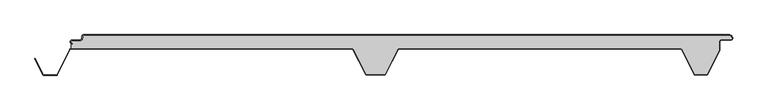
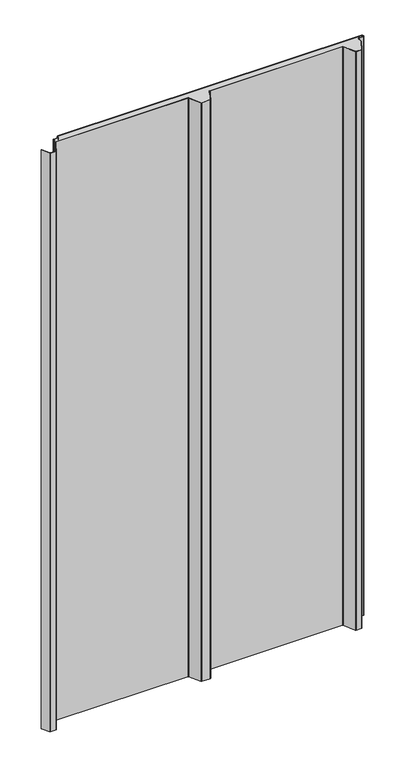
"""IFC4 building model written with IfcOpenShell, lengths in millimetres: proxy geometry."""

import ifcopenshell
import ifcopenshell.guid

model = None  # the IFC model being written
_history = None  # IfcOwnerHistory: only IFC2X3 demands one
_inside = {}  # id of a spatial element -> (the spatial element, [elements in it])
_under = {}  # id of a project, library or spatial element -> (it, [spatial elements below it])
_declared = {}  # id of a project -> (the project, [libraries it declares])
_typed = {}  # id of a type object -> (the type object, [elements of that type])
_made_of = {}  # id of a material, layer set ... -> (it, [elements and type objects made of it])


def new_model(schema):
    """Start an empty IFC model of exactly this schema.

    Asked for "IFC4X3", IfcOpenShell would pick the latest addendum, in which some entities
    have other attributes; the version numbers below select the first issue.
    IFC2X3 requires an IfcOwnerHistory on every rooted entity: one is made here for all.
    """
    global model, _history
    if schema == "IFC4X3":
        model = ifcopenshell.file(schema_version=(4, 3, 0, 0))
    else:
        model = ifcopenshell.file(schema=schema)
    _inside.clear()
    _under.clear()
    _declared.clear()
    _typed.clear()
    _made_of.clear()
    _history = None
    if model.schema == "IFC2X3":
        org = make("IfcOrganization", Name="unknown")
        user = make(
            "IfcPersonAndOrganization",
            ThePerson=make("IfcPerson", FamilyName="unknown"),
            TheOrganization=org,
        )
        app = make(
            "IfcApplication",
            ApplicationDeveloper=org,
            Version="unknown",
            ApplicationFullName="unknown",
            ApplicationIdentifier="unknown",
        )
        _history = make(
            "IfcOwnerHistory",
            OwningUser=user,
            OwningApplication=app,
            ChangeAction="ADDED",
            CreationDate=0,
        )
    return model


def make(cls, **values):
    """One entity of the class cls with the attributes given. An attribute that is None is left unset."""
    return model.create_entity(
        cls, **{name: value for name, value in values.items() if value is not None}
    )


def rooted(cls, **values):
    """An entity with a GlobalId (a new one), such as an element, a storey or a relation."""
    return make(cls, GlobalId=ifcopenshell.guid.new(), OwnerHistory=_history, **values)


def si_unit(unit_type, name, prefix=None):
    """IfcSIUnit, for example si_unit("LENGTHUNIT", "METRE", prefix="MILLI")."""
    return make("IfcSIUnit", UnitType=unit_type, Prefix=prefix, Name=name)


def assignment(units):
    """IfcUnitAssignment: the units of a project."""
    return None if units is None else make("IfcUnitAssignment", Units=units)


def point(xyz):
    """IfcCartesianPoint."""
    return None if xyz is None else make("IfcCartesianPoint", Coordinates=xyz)


def direction(xyz):
    """IfcDirection."""
    return None if xyz is None else make("IfcDirection", DirectionRatios=xyz)


def frame(location, z_axis=None, x_axis=None):
    """IfcAxis2Placement3D, a coordinate frame: its origin and axes. An axis left out is left unset."""
    return make(
        "IfcAxis2Placement3D",
        Location=point(location),
        Axis=direction(z_axis),
        RefDirection=direction(x_axis),
    )


def frame_2d(location, x_axis=None):
    """IfcAxis2Placement2D, a coordinate frame in the plane: its origin and x axis."""
    return make(
        "IfcAxis2Placement2D", Location=point(location), RefDirection=direction(x_axis)
    )


def origin():
    """The frame at (0, 0, 0) with its axes left unset."""
    return frame((0.0, 0.0, 0.0))


def origin_with_axes():
    """The frame at (0, 0, 0) with the z axis (0, 0, 1) and the x axis (1, 0, 0) written out."""
    return frame((0.0, 0.0, 0.0), z_axis=(0.0, 0.0, 1.0), x_axis=(1.0, 0.0, 0.0))


def place(relative_to, where):
    """IfcLocalPlacement: puts the frame where relative to a parent placement (None: the world)."""
    return make(
        "IfcLocalPlacement", PlacementRelTo=relative_to, RelativePlacement=where
    )


def context(
    kind, dimensions, precision=None, world=None, true_north=None, identifier=None
):
    """IfcGeometricRepresentationContext, for example the 3D "Model" context."""
    return make(
        "IfcGeometricRepresentationContext",
        ContextIdentifier=identifier,
        ContextType=kind,
        CoordinateSpaceDimension=dimensions,
        Precision=precision,
        WorldCoordinateSystem=world,
        TrueNorth=true_north,
    )


def project(units=None, contexts=None):
    """IfcProject with its units and contexts."""
    return rooted(
        "IfcProject",
        Name="project",
        RepresentationContexts=contexts,
        UnitsInContext=assignment(units),
    )


def spatial(cls, under=None, at=None, **own):
    """A site, building, storey or space (cls), placed at a placement, below another one or the project."""
    s = rooted(cls, ObjectPlacement=at, **own)
    if under is not None:
        _under.setdefault(under.id(), (under, []))[1].append(s)
    return s


def polyline(points):
    """IfcPolyline through the points."""
    return make("IfcPolyline", Points=[point(p) for p in points])


def circle_curve(where, radius):
    """IfcCircle in the frame where."""
    return make("IfcCircle", Position=where, Radius=radius)


def trimmed(basis, trim1, trim2, sense, master):
    """IfcTrimmedCurve: the piece of a basis curve between two trims."""
    return make(
        "IfcTrimmedCurve",
        BasisCurve=basis,
        Trim1=trim1,
        Trim2=trim2,
        SenseAgreement=sense,
        MasterRepresentation=master,
    )


def segment(curve, same_sense, transition):
    """IfcCompositeCurveSegment."""
    return make(
        "IfcCompositeCurveSegment",
        Transition=transition,
        SameSense=same_sense,
        ParentCurve=curve,
    )


def composite_curve(segments, self_intersect=None):
    """IfcCompositeCurve: segments joined end to end."""
    return make("IfcCompositeCurve", Segments=segments, SelfIntersect=self_intersect)


def outline(outer, holes=None, kind="AREA"):
    """IfcArbitraryClosedProfileDef: a profile drawn as a closed curve; with holes, ...WithVoids."""
    if holes is None:
        return make("IfcArbitraryClosedProfileDef", ProfileType=kind, OuterCurve=outer)
    return make(
        "IfcArbitraryProfileDefWithVoids",
        ProfileType=kind,
        OuterCurve=outer,
        InnerCurves=holes,
    )


def extrude(swept, where, along, depth):
    """IfcExtrudedAreaSolid: the profile swept, set in the frame where, extruded along a direction by depth."""
    return make(
        "IfcExtrudedAreaSolid",
        SweptArea=swept,
        Position=where,
        ExtrudedDirection=direction(along),
        Depth=depth,
    )


def shape(context_of_items, identifier, shape_type, items):
    """IfcShapeRepresentation: the items that make up one representation, for example the "Body"."""
    return make(
        "IfcShapeRepresentation",
        ContextOfItems=context_of_items,
        RepresentationIdentifier=identifier,
        RepresentationType=shape_type,
        Items=items,
    )


def source(mapping_origin, context_of_items, identifier, shape_type, items):
    """IfcRepresentationMap: a shape defined once, which mapped items show again and again."""
    return make(
        "IfcRepresentationMap",
        MappingOrigin=mapping_origin,
        MappedRepresentation=shape(context_of_items, identifier, shape_type, items),
    )


def transform(
    local_origin,
    x_axis=None,
    y_axis=None,
    z_axis=None,
    scale=None,
    scale2=None,
    scale3=None,
    uniform=True,
):
    """IfcCartesianTransformationOperator3D, or its non-uniform kind. x_axis, y_axis, z_axis: its Axis1, 2, 3."""
    if uniform:
        return make(
            "IfcCartesianTransformationOperator3D",
            Axis1=direction(x_axis),
            Axis2=direction(y_axis),
            LocalOrigin=point(local_origin),
            Scale=scale,
            Axis3=direction(z_axis),
        )
    return make(
        "IfcCartesianTransformationOperator3DnonUniform",
        Axis1=direction(x_axis),
        Axis2=direction(y_axis),
        LocalOrigin=point(local_origin),
        Scale=scale,
        Axis3=direction(z_axis),
        Scale2=scale2,
        Scale3=scale3,
    )


def mapped(mapping_source, mapping_target):
    """IfcMappedItem: shows the shape of a source again, moved by a transform."""
    return make(
        "IfcMappedItem", MappingSource=mapping_source, MappingTarget=mapping_target
    )


def made_of(thing, what):
    """Note that an element or type object is made of a material, layer set ...; save() writes the relation."""
    if what is not None:
        _made_of.setdefault(what.id(), (what, []))[1].append(thing)
    return thing


def element(
    cls,
    number,
    at=None,
    inside=None,
    cuts=None,
    type_object=None,
    material=None,
    context=None,
    identifier="Body",
    shape_type=None,
    held_by="IfcProductDefinitionShape",
    body=None,
    shapes=None,
    **own,
):
    """One element of the class cls, such as IfcWall. Its Tag is "e" and its number.

    at: its placement. inside: the storey or other place that contains it. cuts: it is an
    opening in that element (IfcRelVoidsElement). A single representation is given by context,
    identifier, shape_type and body (its items); several are given by shapes. held_by: the class
    of the entity that holds the representations. save() writes the other relations.
    """
    e = rooted(cls, Tag="e%d" % number, ObjectPlacement=at, **own)
    if body is not None:
        shapes = [shape(context, identifier, shape_type, body)]
    if shapes is not None:
        e.Representation = make(held_by, Representations=shapes)
    if inside is not None:
        _inside.setdefault(inside.id(), (inside, []))[1].append(e)
    if cuts is not None:
        rooted(
            "IfcRelVoidsElement", RelatingBuildingElement=cuts, RelatedOpeningElement=e
        )
    if type_object is not None:
        _typed.setdefault(type_object.id(), (type_object, []))[1].append(e)
    return made_of(e, material)


def aggregate(whole, parts):
    """IfcRelAggregates: a whole, such as a stair, and the parts it consists of."""
    return rooted("IfcRelAggregates", RelatingObject=whole, RelatedObjects=parts)


def save(model, path):
    """Write the relations noted so far, then the file.

    IfcRelAggregates (storeys below a building ...), IfcRelContainedInSpatialStructure (elements
    in a storey), IfcRelDefinesByType, IfcRelAssociatesMaterial and IfcRelDeclares: one each for
    every whole, place, type object, material and project.
    """
    for whole, parts in _under.values():
        aggregate(whole, parts)
    for where, things in _inside.values():
        rooted(
            "IfcRelContainedInSpatialStructure",
            RelatedElements=things,
            RelatingStructure=where,
        )
    for kind, things in _typed.values():
        rooted("IfcRelDefinesByType", RelatedObjects=things, RelatingType=kind)
    for what, things in _made_of.values():
        rooted("IfcRelAssociatesMaterial", RelatedObjects=things, RelatingMaterial=what)
    for by, libraries in _declared.values():
        rooted("IfcRelDeclares", RelatingContext=by, RelatedDefinitions=libraries)
    model.write(path)


def generic_models_8b5205a0(model_context):
    return source(origin(), model_context, "Body", "SweptSolid", [
        extrude(outline(composite_curve([segment(polyline([(548.7649646, -5.5), (547.9649646, -5.5)]), True, "CONTINUOUS"), segment(trimmed(circle_curve(frame_2d((543.2649646, -5.5)), 4.7), [point((547.9649646, -5.5))], [point((543.2649646, -0.8))], True, "CARTESIAN"), True, "CONTINUOUS"), segment(polyline([(543.2649646, -0.8), (-448.7436881, -0.8)]), True, "CONTINUOUS"), segment(trimmed(circle_curve(frame_2d((-448.7436881, -2.5)), 1.7), [point((-448.7436881, -0.8))], [point((-450.4436881, -2.5))], True, "CARTESIAN"), True, "CONTINUOUS"), segment(polyline([(-450.4436881, -2.5), (-450.4436881, -5.5)]), True, "CONTINUOUS"), segment(trimmed(circle_curve(frame_2d((-453.7436881, -5.5)), 3.3), [point((-450.4436881, -5.5))], [point((-453.7436881, -8.8))], False, "CARTESIAN"), True, "CONTINUOUS"), segment(polyline([(-453.7436881, -8.8), (-466.2436881, -8.8)]), True, "CONTINUOUS"), segment(trimmed(circle_curve(frame_2d((-466.2436881, -11.0)), 2.2), [point((-466.2436881, -8.8))], [point((-466.2436881, -13.2))], True, "CARTESIAN"), True, "CONTINUOUS"), segment(polyline([(-466.2436881, -13.2), (-466.2436881, -14.0)]), True, "CONTINUOUS"), segment(trimmed(circle_curve(frame_2d((-466.2436881, -11.0)), 3.0), [point((-466.2436881, -14.0))], [point((-466.2436881, -8.0))], False, "CARTESIAN"), True, "CONTINUOUS"), segment(polyline([(-466.2436881, -8.0), (-453.7436881, -8.0)]), True, "CONTINUOUS"), segment(trimmed(circle_curve(frame_2d((-453.7436881, -5.5)), 2.5), [point((-453.7436881, -8.0))], [point((-451.2436881, -5.5))], True, "CARTESIAN"), True, "CONTINUOUS"), segment(polyline([(-451.2436881, -5.5), (-451.2436881, -2.5)]), True, "CONTINUOUS"), segment(trimmed(circle_curve(frame_2d((-448.7436881, -2.5)), 2.5), [point((-451.2436881, -2.5))], [point((-448.7436881, 0.0))], False, "CARTESIAN"), True, "CONTINUOUS"), segment(polyline([(-448.7436881, 0.0), (543.2649646, 0.0)]), True, "CONTINUOUS"), segment(trimmed(circle_curve(frame_2d((543.2649646, -5.5)), 5.5), [point((543.2649646, 0.0))], [point((548.7649646, -5.5))], False, "CARTESIAN"), True, "CONTINUOUS")], self_intersect=False)), origin_with_axes(), (0.0, 0.0, 1.0), 2000.0),
        extrude(outline(composite_curve([segment(trimmed(circle_curve(frame_2d((-466.2436881, -11.0)), 2.2), [point((-466.2436881, -13.2))], [point((-466.2436881, -8.8))], False, "CARTESIAN"), True, "CONTINUOUS"), segment(polyline([(-466.2436881, -8.8), (-453.7436881, -8.8)]), True, "CONTINUOUS"), segment(trimmed(circle_curve(frame_2d((-453.7436881, -5.5)), 3.3), [point((-453.7436881, -8.8))], [point((-450.4436881, -5.5))], True, "CARTESIAN"), True, "CONTINUOUS"), segment(polyline([(-450.4436881, -5.5), (-450.4436881, -2.5)]), True, "CONTINUOUS"), segment(trimmed(circle_curve(frame_2d((-448.7436881, -2.5)), 1.7), [point((-450.4436881, -2.5))], [point((-448.7436881, -0.8))], False, "CARTESIAN"), True, "CONTINUOUS"), segment(polyline([(-448.7436881, -0.8), (543.2649646, -0.8)]), True, "CONTINUOUS"), segment(trimmed(circle_curve(frame_2d((543.2649646, -5.5)), 4.7), [point((543.2649646, -0.8))], [point((547.9649646, -5.5))], False, "CARTESIAN"), True, "CONTINUOUS"), segment(trimmed(circle_curve(frame_2d((546.2649646, -5.5)), 1.7), [point((547.9649646, -5.5))], [point((546.2649646, -7.2))], False, "CARTESIAN"), True, "CONTINUOUS"), segment(polyline([(546.2649646, -7.2), (532.2649646, -7.2)]), True, "CONTINUOUS"), segment(trimmed(circle_curve(frame_2d((532.2649646, -11.5)), 4.3), [point((532.2649646, -7.2))], [point((527.9649646, -11.5))], True, "CARTESIAN"), True, "CONTINUOUS"), segment(polyline([(527.9649646, -11.5), (527.9649646, -24.2845037), (509.9197036, -60.420139)]), True, "CONTINUOUS"), segment(trimmed(circle_curve(frame_2d((508.5777279, -59.7499888)), 1.5), [point((509.9197036, -60.420139))], [point((508.5777279, -61.2499888))], False, "CARTESIAN"), True, "CONTINUOUS"), segment(polyline([(508.5777279, -61.2499888), (491.4395777, -61.2499888)]), True, "CONTINUOUS"), segment(trimmed(circle_curve(frame_2d((491.4395777, -59.7499888)), 1.5), [point((491.4395777, -61.2499888))], [point((490.097602, -60.420139))], False, "CARTESIAN"), True, "CONTINUOUS"), segment(polyline([(490.097602, -60.420139), (471.3684498, -22.9150118)]), True, "CONTINUOUS"), segment(trimmed(circle_curve(frame_2d((468.5950334, -24.2999888)), 3.1), [point((471.3684498, -22.9150118))], [point((468.5950334, -21.1999888))], True, "CARTESIAN"), True, "CONTINUOUS"), segment(polyline([(468.5950334, -21.1999888), (36.4222721, -21.1999888)]), True, "CONTINUOUS"), segment(trimmed(circle_curve(frame_2d((36.4222721, -24.2999888)), 3.1), [point((36.4222721, -21.1999888))], [point((33.6488557, -22.9150118))], True, "CARTESIAN"), True, "CONTINUOUS"), segment(polyline([(33.6488557, -22.9150118), (14.9197036, -60.420139)]), True, "CONTINUOUS"), segment(trimmed(circle_curve(frame_2d((13.5777279, -59.7499888)), 1.5), [point((14.9197036, -60.420139))], [point((13.5777279, -61.2499888))], False, "CARTESIAN"), True, "CONTINUOUS"), segment(polyline([(13.5777279, -61.2499888), (-13.5777279, -61.2499888)]), True, "CONTINUOUS"), segment(trimmed(circle_curve(frame_2d((-13.5777279, -59.7499888)), 1.5), [point((-13.5777279, -61.2499888))], [point((-14.9197036, -60.420139))], False, "CARTESIAN"), True, "CONTINUOUS"), segment(polyline([(-14.9197036, -60.420139), (-33.6488557, -22.9150118)]), True, "CONTINUOUS"), segment(trimmed(circle_curve(frame_2d((-36.4222721, -24.2999888)), 3.1), [point((-33.6488557, -22.9150118))], [point((-36.4222721, -21.1999888))], True, "CARTESIAN"), True, "CONTINUOUS"), segment(polyline([(-36.4222721, -21.1999888), (-467.612692, -21.1999888), (-467.612692, -13.6694247)]), True, "CONTINUOUS"), segment(trimmed(circle_curve(frame_2d((-466.2436881, -11.0)), 3.0), [point((-467.612692, -13.6694247))], [point((-466.2436881, -14.0))], True, "CARTESIAN"), True, "CONTINUOUS"), segment(polyline([(-466.2436881, -14.0), (-466.2436881, -13.2)]), True, "CONTINUOUS")], self_intersect=False)), origin_with_axes(), (0.0, 0.0, 1.0), 2000.0),
        extrude(outline(composite_curve([segment(polyline([(-523.5365904, -36.9174383), (-522.82087, -36.5600249), (-510.4107041, -61.411382)]), True, "CONTINUOUS"), segment(trimmed(circle_curve(frame_2d((-509.0687284, -60.7412319)), 1.5), [point((-510.4107041, -61.411382))], [point((-509.0687284, -62.2412319))], True, "CARTESIAN"), True, "CONTINUOUS"), segment(polyline([(-509.0687284, -62.2412319), (-490.9312716, -62.2412319)]), True, "CONTINUOUS"), segment(trimmed(circle_curve(frame_2d((-490.9312716, -60.7412319)), 1.5), [point((-490.9312716, -62.2412319))], [point((-489.5890038, -61.4107968))], True, "CARTESIAN"), True, "CONTINUOUS"), segment(polyline([(-489.5890038, -61.4107968), (-470.3867121, -22.9162213)]), True, "CONTINUOUS"), segment(trimmed(circle_curve(frame_2d((-467.612692, -24.2999888)), 3.1), [point((-470.3867121, -22.9162213))], [point((-467.612692, -21.1999888))], False, "CARTESIAN"), True, "CONTINUOUS"), segment(polyline([(-467.612692, -21.1999888), (-36.4222721, -21.1999888)]), True, "CONTINUOUS"), segment(trimmed(circle_curve(frame_2d((-36.4222721, -24.2999888)), 3.1), [point((-36.4222721, -21.1999888))], [point((-33.6488557, -22.9150118))], False, "CARTESIAN"), True, "CONTINUOUS"), segment(polyline([(-33.6488557, -22.9150118), (-14.9197036, -60.420139)]), True, "CONTINUOUS"), segment(trimmed(circle_curve(frame_2d((-13.5777279, -59.7499888)), 1.5), [point((-14.9197036, -60.420139))], [point((-13.5777279, -61.2499888))], True, "CARTESIAN"), True, "CONTINUOUS"), segment(polyline([(-13.5777279, -61.2499888), (13.5777279, -61.2499888)]), True, "CONTINUOUS"), segment(trimmed(circle_curve(frame_2d((13.5777279, -59.7499888)), 1.5), [point((13.5777279, -61.2499888))], [point((14.9197036, -60.420139))], True, "CARTESIAN"), True, "CONTINUOUS"), segment(polyline([(14.9197036, -60.420139), (33.6488557, -22.9150118)]), True, "CONTINUOUS"), segment(trimmed(circle_curve(frame_2d((36.4222721, -24.2999888)), 3.1), [point((33.6488557, -22.9150118))], [point((36.4222721, -21.1999888))], False, "CARTESIAN"), True, "CONTINUOUS"), segment(polyline([(36.4222721, -21.1999888), (468.5950334, -21.1999888)]), True, "CONTINUOUS"), segment(trimmed(circle_curve(frame_2d((468.5950334, -24.2999888)), 3.1), [point((468.5950334, -21.1999888))], [point((471.3684498, -22.9150118))], False, "CARTESIAN"), True, "CONTINUOUS"), segment(polyline([(471.3684498, -22.9150118), (490.097602, -60.420139)]), True, "CONTINUOUS"), segment(trimmed(circle_curve(frame_2d((491.4395777, -59.7499888)), 1.5), [point((490.097602, -60.420139))], [point((491.4395777, -61.2499888))], True, "CARTESIAN"), True, "CONTINUOUS"), segment(polyline([(491.4395777, -61.2499888), (508.5777279, -61.2499888)]), True, "CONTINUOUS"), segment(trimmed(circle_curve(frame_2d((508.5777279, -59.7499888)), 1.5), [point((508.5777279, -61.2499888))], [point((509.9197036, -60.420139))], True, "CARTESIAN"), True, "CONTINUOUS"), segment(polyline([(509.9197036, -60.420139), (527.9649646, -24.2845037), (527.9649646, -11.5)]), True, "CONTINUOUS"), segment(trimmed(circle_curve(frame_2d((532.2649646, -11.5)), 4.3), [point((527.9649646, -11.5))], [point((532.2649646, -7.2))], False, "CARTESIAN"), True, "CONTINUOUS"), segment(polyline([(532.2649646, -7.2), (546.2649646, -7.2)]), True, "CONTINUOUS"), segment(trimmed(circle_curve(frame_2d((546.2649646, -5.5)), 1.7), [point((546.2649646, -7.2))], [point((547.9649646, -5.5))], True, "CARTESIAN"), True, "CONTINUOUS"), segment(polyline([(547.9649646, -5.5), (548.7649646, -5.5)]), True, "CONTINUOUS"), segment(trimmed(circle_curve(frame_2d((546.2649646, -5.5)), 2.5), [point((548.7649646, -5.5))], [point((546.2649646, -8.0))], False, "CARTESIAN"), True, "CONTINUOUS"), segment(polyline([(546.2649646, -8.0), (532.2649646, -8.0)]), True, "CONTINUOUS"), segment(trimmed(circle_curve(frame_2d((532.2649646, -11.5)), 3.5), [point((532.2649646, -8.0))], [point((528.7649646, -11.5))], True, "CARTESIAN"), True, "CONTINUOUS"), segment(polyline([(528.7649646, -11.5), (528.7649646, -24.4731472), (510.6354239, -60.7775524)]), True, "CONTINUOUS"), segment(trimmed(circle_curve(frame_2d((508.5777279, -59.7499888)), 2.3), [point((510.6354239, -60.7775524))], [point((508.5777279, -62.0499888))], False, "CARTESIAN"), True, "CONTINUOUS"), segment(polyline([(508.5777279, -62.0499888), (491.4395777, -62.0499888)]), True, "CONTINUOUS"), segment(trimmed(circle_curve(frame_2d((491.4395777, -59.7499888)), 2.3), [point((491.4395777, -62.0499888))], [point((489.3818816, -60.7775524))], False, "CARTESIAN"), True, "CONTINUOUS"), segment(polyline([(489.3818816, -60.7775524), (470.6527295, -23.2724252)]), True, "CONTINUOUS"), segment(trimmed(circle_curve(frame_2d((468.5950334, -24.2999888)), 2.3), [point((470.6527295, -23.2724252))], [point((468.5950334, -21.9999888))], True, "CARTESIAN"), True, "CONTINUOUS"), segment(polyline([(468.5950334, -21.9999888), (36.4222721, -21.9999888)]), True, "CONTINUOUS"), segment(trimmed(circle_curve(frame_2d((36.4222721, -24.2999888)), 2.3), [point((36.4222721, -21.9999888))], [point((34.3645761, -23.2724252))], True, "CARTESIAN"), True, "CONTINUOUS"), segment(polyline([(34.3645761, -23.2724252), (15.6354239, -60.7775524)]), True, "CONTINUOUS"), segment(trimmed(circle_curve(frame_2d((13.5777279, -59.7499888)), 2.3), [point((15.6354239, -60.7775524))], [point((13.5777279, -62.0499888))], False, "CARTESIAN"), True, "CONTINUOUS"), segment(polyline([(13.5777279, -62.0499888), (-13.5777279, -62.0499888)]), True, "CONTINUOUS"), segment(trimmed(circle_curve(frame_2d((-13.5777279, -59.7499888)), 2.3), [point((-13.5777279, -62.0499888))], [point((-15.6354239, -60.7775524))], False, "CARTESIAN"), True, "CONTINUOUS"), segment(polyline([(-15.6354239, -60.7775524), (-34.3645761, -23.2724252)]), True, "CONTINUOUS"), segment(trimmed(circle_curve(frame_2d((-36.4222721, -24.2999888)), 2.3), [point((-34.3645761, -23.2724252))], [point((-36.4222721, -21.9999888))], True, "CARTESIAN"), True, "CONTINUOUS"), segment(polyline([(-36.4222721, -21.9999888), (-467.612692, -21.9999888)]), True, "CONTINUOUS"), segment(trimmed(circle_curve(frame_2d((-467.612692, -24.2999888)), 2.3), [point((-467.612692, -21.9999888))], [point((-469.6708359, -23.2733226))], True, "CARTESIAN"), True, "CONTINUOUS"), segment(polyline([(-469.6708359, -23.2733226), (-488.8731276, -61.7678981)]), True, "CONTINUOUS"), segment(trimmed(circle_curve(frame_2d((-490.9312716, -60.7412319)), 2.3), [point((-488.8731276, -61.7678981))], [point((-490.9312716, -63.0412319))], False, "CARTESIAN"), True, "CONTINUOUS"), segment(polyline([(-490.9312716, -63.0412319), (-509.0687284, -63.0412319)]), True, "CONTINUOUS"), segment(trimmed(circle_curve(frame_2d((-509.0687284, -60.7412319)), 2.3), [point((-509.0687284, -63.0412319))], [point((-511.1264245, -61.7687954))], False, "CARTESIAN"), True, "CONTINUOUS"), segment(polyline([(-511.1264245, -61.7687954), (-523.5365904, -36.9174383)]), True, "CONTINUOUS")], self_intersect=False)), origin_with_axes(), (0.0, 0.0, 1.0), 2000.0),
    ])


if __name__ == "__main__":
    model = new_model("IFC4")
    model_context = context("Model", 3, world=origin())
    ifc_project = project(units=[si_unit("LENGTHUNIT", "METRE", prefix="MILLI")], contexts=[model_context])
    site = spatial("IfcSite", under=ifc_project)
    building = spatial("IfcBuilding", under=site)
    placement = place(None, origin())
    generic_models_shape = generic_models_8b5205a0(model_context)
    element("IfcBuildingElementProxy", 1, Name="Generic Models", at=placement, inside=building, context=model_context, shape_type="MappedRepresentation", body=[
        mapped(generic_models_shape, transform((0.0, 0.0, 0.0), x_axis=(1.0, 0.0, 0.0), y_axis=(0.0, 1.0, 0.0), z_axis=(0.0, 0.0, 1.0))),
    ])
    save(model, "model.ifc")
